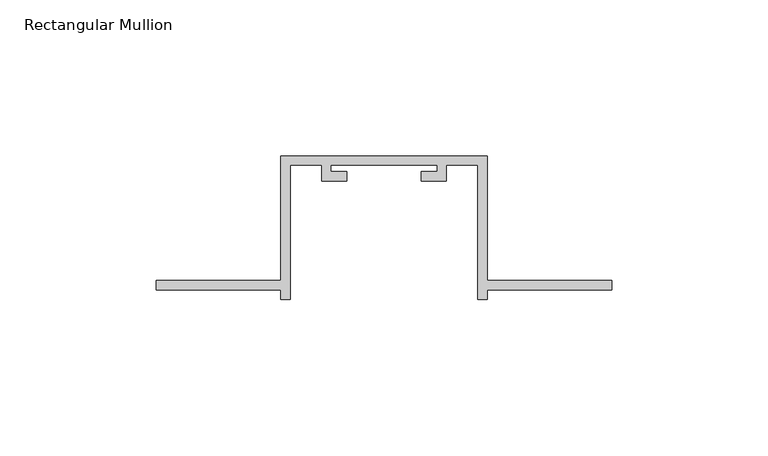
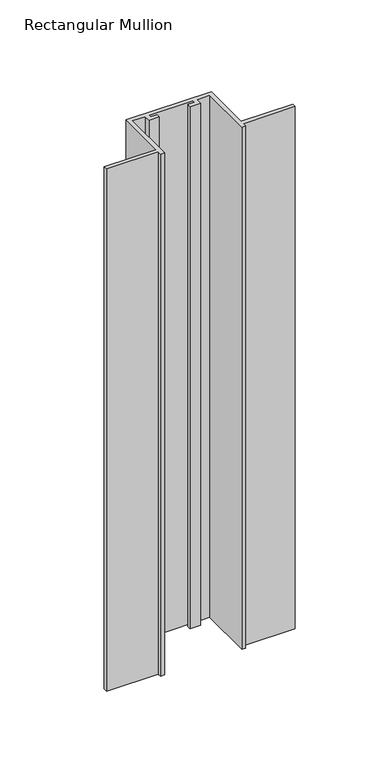
"""IFC4 building model written with IfcOpenShell, lengths in millimetres: member geometry, Rectangular Mullion."""

from ifc_helpers import new_model, si_unit, frame, origin, place, context, project, spatial, polyline, outline, extrude, source, transform, mapped, element, save


def rectangular_mullion_af1761c1(model_context):
    return source(origin(), model_context, "Body", "SweptSolid", [
        extrude(outline(polyline([(-40.0, -132.0), (-40.0, -135.0), (-43.0, -135.0), (-43.0, -92.0), (-53.0, -92.0), (-53.0, -97.0), (-61.0, -97.0), (-61.0, -94.0), (-56.0, -94.0), (-56.0, -92.0), (-90.0, -92.0), (-90.0, -94.0), (-85.0, -94.0), (-85.0, -97.0), (-93.0, -97.0), (-93.0, -92.0), (-103.0, -92.0), (-103.0, -135.0), (-106.0, -135.0), (-106.0, -132.0), (-146.0, -132.0), (-146.0, -129.0), (-106.0, -129.0), (-106.0, -89.0), (-40.0, -89.0), (-40.0, -129.0), (0.0, -129.0), (0.0, -132.0), (-40.0, -132.0)])), frame((0.0, 0.0, -427.2026776), z_axis=(0.0, 0.0, 1.0), x_axis=(1.0, 0.0, 0.0)), (0.0, 0.0, 1.0), 427.2026776),
    ])


if __name__ == "__main__":
    model = new_model("IFC4")
    model_context = context("Model", 3, world=origin())
    ifc_project = project(units=[si_unit("LENGTHUNIT", "METRE", prefix="MILLI")], contexts=[model_context])
    site = spatial("IfcSite", under=ifc_project)
    building = spatial("IfcBuilding", under=site)
    placement = place(None, origin())
    rectangular_mullion_shape = rectangular_mullion_af1761c1(model_context)
    element("IfcMember", 1, ObjectType="Rectangular Mullion", at=placement, inside=building, context=model_context, shape_type="MappedRepresentation", body=[
        mapped(rectangular_mullion_shape, transform((0.0, 0.0, 0.0), x_axis=(1.0, 0.0, 0.0), y_axis=(0.0, 1.0, 0.0), z_axis=(0.0, 0.0, 1.0))),
    ])
    save(model, "model.ifc")
